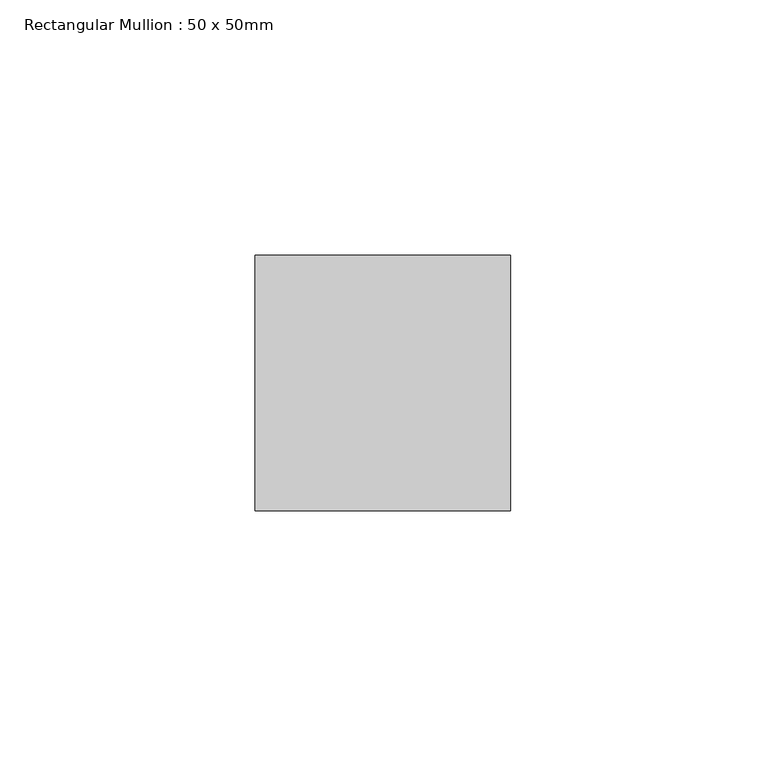
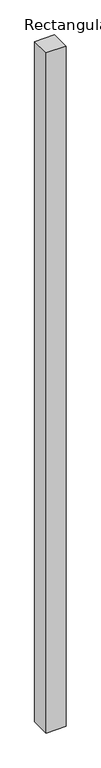
"""IFC4 building model written with IfcOpenShell, lengths in millimetres: member geometry, Rectangular Mullion : 50 x 50mm."""

from ifc_helpers import new_model, si_unit, frame, origin, place, context, project, spatial, polyline, outline, extrude, source, transform, mapped, element, save


def rectangular_mullion_50_x_50mm_fa5ce2ce(model_context):
    return source(origin(), model_context, "Body", "SweptSolid", [
        extrude(outline(polyline([(0.0, 50.0), (0.0, 0.0), (-50.0, 0.0), (-50.0, 50.0), (0.0, 50.0)])), frame((0.0, 0.0, -1800.0), z_axis=(0.0, 0.0, 1.0), x_axis=(1.0, 0.0, 0.0)), (0.0, 0.0, 1.0), 1800.0),
    ])


if __name__ == "__main__":
    model = new_model("IFC4")
    model_context = context("Model", 3, world=origin())
    ifc_project = project(units=[si_unit("LENGTHUNIT", "METRE", prefix="MILLI")], contexts=[model_context])
    site = spatial("IfcSite", under=ifc_project)
    building = spatial("IfcBuilding", under=site)
    placement = place(None, origin())
    rectangular_mullion_50_x_50mm_shape = rectangular_mullion_50_x_50mm_fa5ce2ce(model_context)
    element("IfcMember", 1, ObjectType="Rectangular Mullion : 50 x 50mm", at=placement, inside=building, context=model_context, shape_type="MappedRepresentation", body=[
        mapped(rectangular_mullion_50_x_50mm_shape, transform((0.0, 0.0, 0.0), x_axis=(1.0, 0.0, 0.0), y_axis=(0.0, 1.0, 0.0), z_axis=(0.0, 0.0, 1.0))),
    ])
    save(model, "model.ifc")
